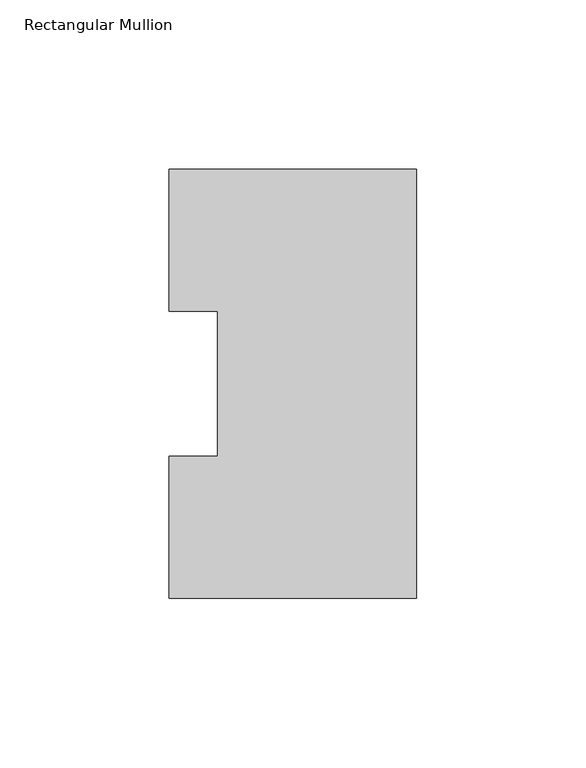
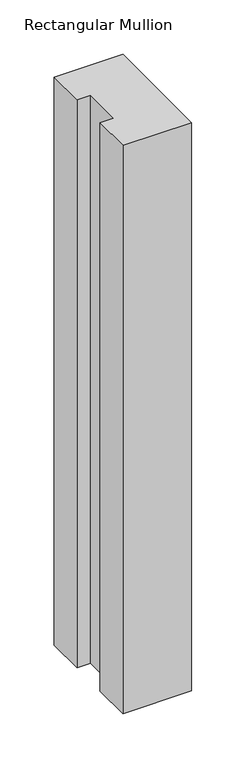
"""IFC4 building model written with IfcOpenShell, lengths in millimetres: member geometry, Rectangular Mullion."""

from ifc_helpers import new_model, si_unit, frame, origin, place, context, project, spatial, polyline, outline, extrude, source, transform, mapped, element, save


def rectangular_mullion_9a5088ab(model_context):
    return source(origin(), model_context, "Body", "SweptSolid", [
        extrude(outline(polyline([(0.0, 126.4546938), (0.0, -0.0373062), (-73.025, -0.0373062), (-73.025, 41.7837937), (-58.7375, 41.7837937), (-58.7375, 84.6335937), (-73.025, 84.6335937), (-73.025, 126.4546938), (0.0, 126.4546938)])), frame((0.0, 0.0, -638.175), z_axis=(0.0, 0.0, 1.0), x_axis=(1.0, 0.0, 0.0)), (0.0, 0.0, 1.0), 638.175),
    ])


if __name__ == "__main__":
    model = new_model("IFC4")
    model_context = context("Model", 3, world=origin())
    ifc_project = project(units=[si_unit("LENGTHUNIT", "METRE", prefix="MILLI")], contexts=[model_context])
    site = spatial("IfcSite", under=ifc_project)
    building = spatial("IfcBuilding", under=site)
    placement = place(None, origin())
    rectangular_mullion_shape = rectangular_mullion_9a5088ab(model_context)
    element("IfcMember", 1, ObjectType="Rectangular Mullion", at=placement, inside=building, context=model_context, shape_type="MappedRepresentation", body=[
        mapped(rectangular_mullion_shape, transform((0.0, 0.0, 0.0), x_axis=(1.0, 0.0, 0.0), y_axis=(0.0, 1.0, 0.0), z_axis=(0.0, 0.0, 1.0))),
    ])
    save(model, "model.ifc")
